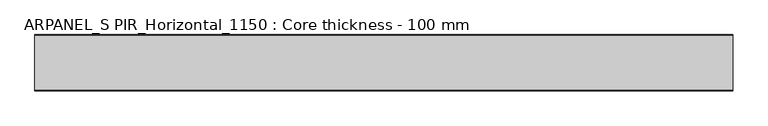
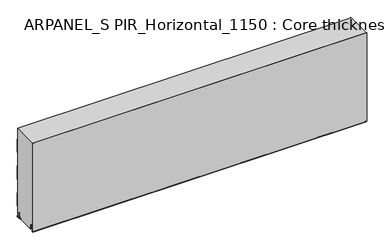
"""IFC4 building model written with IfcOpenShell, lengths in millimetres: plate geometry, ARPANEL_S PIR_Horizontal_1150 : Core thickness - 100 mm."""

from ifc_helpers import new_model, si_unit, frame, origin, place, context, project, spatial, polyline, circle_curve, source, transform, mapped, element, save
from ifc_brep_helpers import plane_surface, cylinder_surface, revolved_surface, advanced_brep


def arpanel_s_pir_horizontal_1150_core_thickness_100_mm_1902a90c(model_context):
    return source(origin(), model_context, "Body", "AdvancedBrep", [
        advanced_brep(
        [(620.0, -99.9996949, 3.0900682), (620.0, -93.81449, 2.7875612), (620.0, -92.197116, 19.2828169), (620.0, -89.1776715, 21.9898782), (620.0, -86.1582271, 19.2828169), (620.0, -84.7725998, 5.1510966), (620.0, -80.3830995, 5.365779), (620.0, -81.1830995, 5.365779), (620.0, -83.9764178, 5.2291629), (620.0, -85.3620451, 19.3608832), (620.0, -89.1776715, 22.7899182), (620.0, -92.9932979, 19.3608832), (620.0, -94.6106719, 2.8656275), (620.0, -99.1996949, 3.0900682), (620.0, -99.2, 350.0), (620.0, -99.9996949, 350.0), (-620.0, -99.1996949, 3.0900682), (-620.0, -94.6106719, 2.8656275), (-620.0, -92.9932979, 19.3608832), (-620.0, -89.1776715, 22.7899182), (-620.0, -85.3620451, 19.3608832), (-620.0, -83.9764178, 5.2291629), (-620.0, -81.1830995, 5.365779), (-620.0, -80.3830995, 5.365779), (-620.0, -84.7725998, 5.1510966), (-620.0, -86.1582271, 19.2828169), (-620.0, -89.1776715, 21.9898782), (-620.0, -92.197116, 19.2828169), (-620.0, -93.81449, 2.7875612), (-620.0, -99.9996949, 3.0900682), (-620.0, -99.9996949, 350.0), (-620.0, -99.2, 350.0)],
        [
            (0, 1, circle_curve(frame((620.0, -96.8996949, 3.0900682), z_axis=(1.0, 0.0, 0.0), x_axis=(0.0, 0.0, -1.0)), 3.1)),
            (1, 2),
            (2, 3, circle_curve(frame((620.0, -89.2114338, 18.9900682), z_axis=(-1.0, 0.0, 0.0), x_axis=(0.0, 0.0, -1.0)), 3.0)),
            (3, 4, circle_curve(frame((620.0, -89.1439093, 18.9900682), z_axis=(-1.0, 0.0, 0.0), x_axis=(0.0, 0.0, -1.0)), 3.0)),
            (4, 5),
            (5, 6, circle_curve(frame((620.0, -82.5830995, 5.365779), z_axis=(1.0, 0.0, 0.0), x_axis=(0.0, 0.0, -1.0)), 2.2)),
            (6, 7),
            (7, 8, circle_curve(frame((620.0, -82.5830995, 5.365779), z_axis=(-1.0, 0.0, 0.0), x_axis=(0.0, 0.0, -1.0)), 1.4)),
            (8, 9),
            (9, 10, circle_curve(frame((620.0, -89.1439093, 18.9900682), z_axis=(1.0, 0.0, 0.0), x_axis=(0.0, 0.0, -1.0)), 3.8)),
            (10, 11, circle_curve(frame((620.0, -89.2114338, 18.9900682), z_axis=(1.0, 0.0, 0.0), x_axis=(0.0, 0.0, -1.0)), 3.8)),
            (11, 12),
            (12, 13, circle_curve(frame((620.0, -96.8996949, 3.0900682), z_axis=(-1.0, 0.0, 0.0), x_axis=(0.0, 0.0, -1.0)), 2.3)),
            (13, 14),
            (14, 15),
            (15, 0),
            (16, 17, circle_curve(frame((-620.0, -96.8996949, 3.0900682), z_axis=(1.0, 0.0, 0.0), x_axis=(0.0, 0.0, -1.0)), 2.3)),
            (17, 18),
            (18, 19, circle_curve(frame((-620.0, -89.2114338, 18.9900682), z_axis=(-1.0, 0.0, 0.0), x_axis=(0.0, 0.0, -1.0)), 3.8)),
            (19, 20, circle_curve(frame((-620.0, -89.1439093, 18.9900682), z_axis=(-1.0, 0.0, 0.0), x_axis=(0.0, 0.0, -1.0)), 3.8)),
            (20, 21),
            (21, 22, circle_curve(frame((-620.0, -82.5830995, 5.365779), z_axis=(1.0, 0.0, 0.0), x_axis=(0.0, 0.0, -1.0)), 1.4)),
            (22, 23),
            (23, 24, circle_curve(frame((-620.0, -82.5830995, 5.365779), z_axis=(-1.0, 0.0, 0.0), x_axis=(0.0, 0.0, -1.0)), 2.2)),
            (24, 25),
            (25, 26, circle_curve(frame((-620.0, -89.1439093, 18.9900682), z_axis=(1.0, 0.0, 0.0), x_axis=(0.0, 0.0, -1.0)), 3.0)),
            (26, 27, circle_curve(frame((-620.0, -89.2114338, 18.9900682), z_axis=(1.0, 0.0, 0.0), x_axis=(0.0, 0.0, -1.0)), 3.0)),
            (27, 28),
            (28, 29, circle_curve(frame((-620.0, -96.8996949, 3.0900682), z_axis=(-1.0, 0.0, 0.0), x_axis=(0.0, 0.0, -1.0)), 3.1)),
            (29, 30),
            (30, 31),
            (31, 16),
            (13, 16),
            (31, 14),
            (29, 0),
            (15, 30),
            (12, 17),
            (11, 18),
            (10, 19),
            (9, 20),
            (8, 21),
            (7, 22),
            (6, 23),
            (5, 24),
            (4, 25),
            (3, 26),
            (2, 27),
            (1, 28),
        ],
        [
            plane_surface(frame((620.0, -100.0, 0.0), z_axis=(1.0, 0.0, 0.0), x_axis=(0.0, 1.0, 0.0))),
            plane_surface(frame((-620.0, -100.0, 0.0), z_axis=(-1.0, 0.0, 0.0), x_axis=(0.0, 1.0, 0.0))),
            plane_surface(frame((620.0, -99.2, 3.0900682), z_axis=(0.0, 1.0, 0.0), x_axis=(-1.0, 0.0, 0.0))),
            plane_surface(frame((620.0, -99.9996949, 1143.9000005), z_axis=(0.0, -1.0, 0.0), x_axis=(-1.0, 0.0, 0.0))),
            revolved_surface(polyline([(-620.0, -96.8996949, 0.7900682000000003), (620.0, -96.8996949, 0.7900682000000003)]), (620.0, -96.8996949, 3.0900682), (-1.0, 0.0, 0.0)),
            plane_surface(frame((620.0, -92.9932979, 19.3608832), z_axis=(0.0, -0.9952273999818314, 0.09758289975914787), x_axis=(-1.0, 0.0, 0.0))),
            cylinder_surface(frame((620.0, -89.2114338, 18.9900682), z_axis=(1.0, 0.0, 0.0), x_axis=(0.0, 0.0, -1.0)), 3.8),
            cylinder_surface(frame((620.0, -89.1439093, 18.9900682), z_axis=(1.0, 0.0, 0.0), x_axis=(0.0, 0.0, -1.0)), 3.8),
            plane_surface(frame((620.0, -83.9764178, 5.2291629), z_axis=(0.0, 0.9952273999818297, 0.09758289975916531), x_axis=(-1.0, 0.0, 0.0))),
            revolved_surface(polyline([(-620.0, -82.5830995, 3.965779), (620.0, -82.5830995, 3.965779)]), (620.0, -82.5830995, 5.365779), (-1.0, 0.0, 0.0)),
            plane_surface(frame((620.0, -80.3830995, 5.365779), z_axis=(0.0, 0.0, 1.0), x_axis=(-1.0, 0.0, 0.0))),
            cylinder_surface(frame((620.0, -82.5830995, 5.365779), z_axis=(1.0, 0.0, 0.0), x_axis=(0.0, 0.0, -1.0)), 2.2),
            plane_surface(frame((620.0, -86.1582271, 19.2828169), z_axis=(0.0, -0.9952273999818296, -0.09758289975916527), x_axis=(-1.0, 0.0, 0.0))),
            revolved_surface(polyline([(-620.0, -89.1439093, 15.9900682), (620.0, -89.1439093, 15.9900682)]), (620.0, -89.1439093, 18.9900682), (-1.0, 0.0, 0.0)),
            revolved_surface(polyline([(-620.0, -89.2114338, 15.9900682), (620.0, -89.2114338, 15.9900682)]), (620.0, -89.2114338, 18.9900682), (-1.0, 0.0, 0.0)),
            plane_surface(frame((620.0, -93.81449, 2.7875612), z_axis=(0.0, 0.9952273999818314, -0.09758289975914787), x_axis=(-1.0, 0.0, 0.0))),
            cylinder_surface(frame((620.0, -96.8996949, 3.0900682), z_axis=(1.0, 0.0, 0.0), x_axis=(0.0, 0.0, -1.0)), 3.1),
            plane_surface(frame((-620.0, 134.0533409, 350.0), z_axis=(0.0, 0.0, 1.0), x_axis=(1.0, 0.0, 0.0))),
        ],
        [
            (0, [[1, 2, 3, 4, 5, 6, 7, 8, 9, 10, 11, 12, 13, 14, 15, 16]]),
            (1, [[17, 18, 19, 20, 21, 22, 23, 24, 25, 26, 27, 28, 29, 30, 31, 32]]),
            (2, [[33, -32, 34, -14]]),
            (3, [[35, -16, 36, -30]]),
            (4, [[-13, 37, -17, -33]]),
            (5, [[-12, 38, -18, -37]]),
            (6, [[-11, 39, -19, -38]]),
            (7, [[-10, 40, -20, -39]]),
            (8, [[-9, 41, -21, -40]]),
            (9, [[-8, 42, -22, -41]]),
            (10, [[-7, 43, -23, -42]]),
            (11, [[-6, 44, -24, -43]]),
            (12, [[-5, 45, -25, -44]]),
            (13, [[-4, 46, -26, -45]]),
            (14, [[-3, 47, -27, -46]]),
            (15, [[-2, 48, -28, -47]]),
            (16, [[-1, -35, -29, -48]]),
            (17, [[-15, -34, -31, -36]]),
        ],
    ),
        advanced_brep(
        [(620.0, -0.8, 199.9459237), (620.0, -1.0986697, 200.9973395), (620.0, -1.5003051, 202.4177205), (620.0, -1.5003051, 252.5775037), (620.0, -1.0971009, 253.9969151), (620.0, -0.8, 255.0493005), (620.0, -0.8, 305.2090837), (620.0, -1.0986697, 306.2604995), (620.0, -1.5003051, 307.6808805), (620.0, -1.5003051, 350.0), (620.0, -99.2, 350.0), (620.0, -99.2, 3.0900682), (620.0, -94.6106719, 2.8656275), (620.0, -92.9932979, 19.3608832), (620.0, -89.1776715, 22.7899182), (620.0, -85.3620451, 19.3608832), (620.0, -83.9764178, 5.2291629), (620.0, -81.1830995, 5.365779), (620.0, -80.3830995, 5.365779), (620.0, -80.6102539, 4.3921875), (620.0, -19.3897461, 4.3921875), (620.0, -19.6169005, 5.365779), (620.0, -18.8169005, 5.365779), (620.0, -16.0235822, 5.2291629), (620.0, -14.6379549, 19.3608832), (620.0, -10.8223285, 22.7899182), (620.0, -7.0067021, 19.3608832), (620.0, -5.3893281, 2.8656275), (620.0, -0.8023367, 3.1867178), (620.0, -1.0986697, 4.141484), (620.0, -1.5003051, 5.5618649), (620.0, -1.5003051, 42.0511837), (620.0, -1.0971009, 43.4705951), (620.0, -0.8, 44.5229805), (620.0, -0.8, 94.6827637), (620.0, -1.0986697, 95.7341795), (620.0, -1.5003051, 97.1545605), (620.0, -1.5003051, 147.3143437), (620.0, -1.0971009, 148.7337551), (620.0, -0.8, 149.7861405), (-620.0, -1.0986697, 200.9973395), (-620.0, -0.8, 199.9459237), (-620.0, -0.8, 149.7861405), (-620.0, -1.0986697, 148.7347246), (-620.0, -1.5003051, 147.3143437), (-620.0, -1.5003051, 97.1545605), (-620.0, -1.0971009, 95.7351491), (-620.0, -0.8, 94.6827637), (-620.0, -0.8, 44.5229805), (-620.0, -1.0986697, 43.4715646), (-620.0, -1.5003051, 42.0511837), (-620.0, -1.5003051, 5.5618649), (-620.0, -1.0971009, 4.1424535), (-620.0, -0.8023367, 3.1867178), (-620.0, -5.3893281, 2.8656275), (-620.0, -7.0067021, 19.3608832), (-620.0, -10.8223285, 22.7899182), (-620.0, -14.6379549, 19.3608832), (-620.0, -16.0235822, 5.2291629), (-620.0, -18.4553868, 4.4268721), (-620.0, -18.8169005, 5.365779), (-620.0, -19.6169005, 5.365779), (-620.0, -19.3897461, 4.3921875), (-620.0, -80.6102539, 4.3921875), (-620.0, -80.3830995, 5.365779), (-620.0, -81.1830995, 5.365779), (-620.0, -81.5446132, 4.4268721), (-620.0, -83.9764178, 5.2291629), (-620.0, -85.3620451, 19.3608832), (-620.0, -89.1776715, 22.7899182), (-620.0, -92.9932979, 19.3608832), (-620.0, -94.6106719, 2.8656275), (-620.0, -99.1996949, 3.0900682), (-620.0, -99.2, 350.0), (-620.0, -1.5003051, 350.0), (-620.0, -1.5003051, 307.6808805), (-620.0, -1.0971009, 306.2614691), (-620.0, -0.8, 305.2090837), (-620.0, -0.8, 255.0493005), (-620.0, -1.0986697, 253.9978846), (-620.0, -1.5003051, 252.5775037), (-620.0, -1.5003051, 202.4177205)],
        [
            (0, 1, circle_curve(frame((620.0, -2.8, 199.9459237), z_axis=(1.0, 0.0, 0.0), x_axis=(0.0, 0.0, -1.0)), 2.0)),
            (1, 2, circle_curve(frame((620.0, 1.1996949, 202.4177205), z_axis=(-1.0, 0.0, 0.0), x_axis=(0.0, 0.0, -1.0)), 2.7)),
            (2, 3),
            (3, 4, circle_curve(frame((620.0, 1.1996949, 252.5775037), z_axis=(-1.0, 0.0, 0.0), x_axis=(0.0, 0.0, -1.0)), 2.7)),
            (4, 5, circle_curve(frame((620.0, -2.8, 255.0493005), z_axis=(1.0, 0.0, 0.0), x_axis=(0.0, 0.0, -1.0)), 2.0)),
            (5, 6),
            (6, 7, circle_curve(frame((620.0, -2.8, 305.2090837), z_axis=(1.0, 0.0, 0.0), x_axis=(0.0, 0.0, -1.0)), 2.0)),
            (7, 8, circle_curve(frame((620.0, 1.1996949, 307.6808805), z_axis=(-1.0, 0.0, 0.0), x_axis=(0.0, 0.0, -1.0)), 2.7)),
            (8, 9),
            (9, 10),
            (10, 11),
            (11, 12, circle_curve(frame((620.0, -96.8996949, 3.0900682), z_axis=(1.0, 0.0, 0.0), x_axis=(0.0, 0.0, -1.0)), 2.3)),
            (12, 13),
            (13, 14, circle_curve(frame((620.0, -89.2114338, 18.9900682), z_axis=(-1.0, 0.0, 0.0), x_axis=(0.0, 0.0, -1.0)), 3.8)),
            (14, 15, circle_curve(frame((620.0, -89.1439093, 18.9900682), z_axis=(-1.0, 0.0, 0.0), x_axis=(0.0, 0.0, -1.0)), 3.8)),
            (15, 16),
            (16, 17, circle_curve(frame((620.0, -82.5830995, 5.365779), z_axis=(1.0, 0.0, 0.0), x_axis=(0.0, 0.0, -1.0)), 1.4)),
            (17, 18),
            (18, 19, circle_curve(frame((620.0, -82.5830995, 5.365779), z_axis=(-1.0, 0.0, 0.0), x_axis=(0.0, 0.0, -1.0)), 2.2)),
            (19, 20),
            (20, 21, circle_curve(frame((620.0, -17.4169005, 5.365779), z_axis=(-1.0, 0.0, 0.0), x_axis=(0.0, 0.0, -1.0)), 2.2)),
            (21, 22),
            (22, 23, circle_curve(frame((620.0, -17.4169005, 5.365779), z_axis=(1.0, 0.0, 0.0), x_axis=(0.0, 0.0, -1.0)), 1.4)),
            (23, 24),
            (24, 25, circle_curve(frame((620.0, -10.8560907, 18.9900682), z_axis=(-1.0, 0.0, 0.0), x_axis=(0.0, 0.0, -1.0)), 3.8)),
            (25, 26, circle_curve(frame((620.0, -10.7885662, 18.9900682), z_axis=(-1.0, 0.0, 0.0), x_axis=(0.0, 0.0, -1.0)), 3.8)),
            (26, 27),
            (27, 28, circle_curve(frame((620.0, -3.1003051, 3.0900682), z_axis=(1.0, 0.0, 0.0), x_axis=(0.0, 0.0, -1.0)), 2.3)),
            (28, 29, circle_curve(frame((620.0, -2.8, 3.0900682), z_axis=(1.0, 0.0, 0.0), x_axis=(0.0, 0.0, -1.0)), 2.0)),
            (29, 30, circle_curve(frame((620.0, 1.1996949, 5.5618649), z_axis=(-1.0, 0.0, 0.0), x_axis=(0.0, 0.0, -1.0)), 2.7)),
            (30, 31),
            (31, 32, circle_curve(frame((620.0, 1.1996949, 42.0511837), z_axis=(-1.0, 0.0, 0.0), x_axis=(0.0, 0.0, -1.0)), 2.7)),
            (32, 33, circle_curve(frame((620.0, -2.8, 44.5229805), z_axis=(1.0, 0.0, 0.0), x_axis=(0.0, 0.0, -1.0)), 2.0)),
            (33, 34),
            (34, 35, circle_curve(frame((620.0, -2.8, 94.6827637), z_axis=(1.0, 0.0, 0.0), x_axis=(0.0, 0.0, -1.0)), 2.0)),
            (35, 36, circle_curve(frame((620.0, 1.1996949, 97.1545605), z_axis=(-1.0, 0.0, 0.0), x_axis=(0.0, 0.0, -1.0)), 2.7)),
            (36, 37),
            (37, 38, circle_curve(frame((620.0, 1.1996949, 147.3143437), z_axis=(-1.0, 0.0, 0.0), x_axis=(0.0, 0.0, -1.0)), 2.7)),
            (38, 39, circle_curve(frame((620.0, -2.8, 149.7861405), z_axis=(1.0, 0.0, 0.0), x_axis=(0.0, 0.0, -1.0)), 2.0)),
            (39, 0),
            (40, 41, circle_curve(frame((-620.0, -2.8, 199.9459237), z_axis=(-1.0, 0.0, 0.0), x_axis=(0.0, 0.0, -1.0)), 2.0)),
            (41, 42),
            (42, 43, circle_curve(frame((-620.0, -2.8, 149.7861405), z_axis=(-1.0, 0.0, 0.0), x_axis=(0.0, 0.0, -1.0)), 2.0)),
            (43, 44, circle_curve(frame((-620.0, 1.1996949, 147.3143437), z_axis=(1.0, 0.0, 0.0), x_axis=(0.0, 0.0, -1.0)), 2.7)),
            (44, 45),
            (45, 46, circle_curve(frame((-620.0, 1.1996949, 97.1545605), z_axis=(1.0, 0.0, 0.0), x_axis=(0.0, 0.0, -1.0)), 2.7)),
            (46, 47, circle_curve(frame((-620.0, -2.8, 94.6827637), z_axis=(-1.0, 0.0, 0.0), x_axis=(0.0, 0.0, -1.0)), 2.0)),
            (47, 48),
            (48, 49, circle_curve(frame((-620.0, -2.8, 44.5229805), z_axis=(-1.0, 0.0, 0.0), x_axis=(0.0, 0.0, -1.0)), 2.0)),
            (49, 50, circle_curve(frame((-620.0, 1.1996949, 42.0511837), z_axis=(1.0, 0.0, 0.0), x_axis=(0.0, 0.0, -1.0)), 2.7)),
            (50, 51),
            (51, 52, circle_curve(frame((-620.0, 1.1996949, 5.5618649), z_axis=(1.0, 0.0, 0.0), x_axis=(0.0, 0.0, -1.0)), 2.7)),
            (52, 53, circle_curve(frame((-620.0, -2.8, 3.0900682), z_axis=(-1.0, 0.0, 0.0), x_axis=(0.0, 0.0, -1.0)), 2.0)),
            (53, 54, circle_curve(frame((-620.0, -3.1003051, 3.0900682), z_axis=(-1.0, 0.0, 0.0), x_axis=(0.0, 0.0, -1.0)), 2.3)),
            (54, 55),
            (55, 56, circle_curve(frame((-620.0, -10.7885662, 18.9900682), z_axis=(1.0, 0.0, 0.0), x_axis=(0.0, 0.0, -1.0)), 3.8)),
            (56, 57, circle_curve(frame((-620.0, -10.8560907, 18.9900682), z_axis=(1.0, 0.0, 0.0), x_axis=(0.0, 0.0, -1.0)), 3.8)),
            (57, 58),
            (58, 59, circle_curve(frame((-620.0, -17.4169005, 5.365779), z_axis=(-1.0, 0.0, 0.0), x_axis=(0.0, 0.0, -1.0)), 1.4)),
            (59, 60, circle_curve(frame((-620.0, -17.4169005, 5.365779), z_axis=(-1.0, 0.0, 0.0), x_axis=(0.0, 0.0, -1.0)), 1.4)),
            (60, 61),
            (61, 62, circle_curve(frame((-620.0, -17.4169005, 5.365779), z_axis=(1.0, 0.0, 0.0), x_axis=(0.0, 0.0, -1.0)), 2.2)),
            (62, 63),
            (63, 64, circle_curve(frame((-620.0, -82.5830995, 5.365779), z_axis=(1.0, 0.0, 0.0), x_axis=(0.0, 0.0, -1.0)), 2.2)),
            (64, 65),
            (65, 66, circle_curve(frame((-620.0, -82.5830995, 5.365779), z_axis=(-1.0, 0.0, 0.0), x_axis=(0.0, 0.0, -1.0)), 1.4)),
            (66, 67, circle_curve(frame((-620.0, -82.5830995, 5.365779), z_axis=(-1.0, 0.0, 0.0), x_axis=(0.0, 0.0, -1.0)), 1.4)),
            (67, 68),
            (68, 69, circle_curve(frame((-620.0, -89.1439093, 18.9900682), z_axis=(1.0, 0.0, 0.0), x_axis=(0.0, 0.0, -1.0)), 3.8)),
            (69, 70, circle_curve(frame((-620.0, -89.2114338, 18.9900682), z_axis=(1.0, 0.0, 0.0), x_axis=(0.0, 0.0, -1.0)), 3.8)),
            (70, 71),
            (71, 72, circle_curve(frame((-620.0, -96.8996949, 3.0900682), z_axis=(-1.0, 0.0, 0.0), x_axis=(0.0, 0.0, -1.0)), 2.3)),
            (72, 73),
            (73, 74),
            (74, 75),
            (75, 76, circle_curve(frame((-620.0, 1.1996949, 307.6808805), z_axis=(1.0, 0.0, 0.0), x_axis=(0.0, 0.0, -1.0)), 2.7)),
            (76, 77, circle_curve(frame((-620.0, -2.8, 305.2090837), z_axis=(-1.0, 0.0, 0.0), x_axis=(0.0, 0.0, -1.0)), 2.0)),
            (77, 78),
            (78, 79, circle_curve(frame((-620.0, -2.8, 255.0493005), z_axis=(-1.0, 0.0, 0.0), x_axis=(0.0, 0.0, -1.0)), 2.0)),
            (79, 80, circle_curve(frame((-620.0, 1.1996949, 252.5775037), z_axis=(1.0, 0.0, 0.0), x_axis=(0.0, 0.0, -1.0)), 2.7)),
            (80, 81),
            (81, 40, circle_curve(frame((-620.0, 1.1996949, 202.4177205), z_axis=(1.0, 0.0, 0.0), x_axis=(0.0, 0.0, -1.0)), 2.7)),
            (40, 1),
            (0, 41),
            (81, 2),
            (80, 3),
            (79, 4),
            (78, 5),
            (77, 6),
            (76, 7),
            (75, 8),
            (74, 9),
            (72, 11),
            (10, 73),
            (46, 35),
            (34, 47),
            (45, 36),
            (44, 37),
            (43, 38),
            (42, 39),
            (71, 12),
            (18, 64),
            (63, 19),
            (61, 21),
            (20, 62),
            (60, 22),
            (58, 23),
            (57, 24),
            (56, 25),
            (55, 26),
            (54, 27),
            (53, 28),
            (52, 29),
            (51, 30),
            (50, 31),
            (49, 32),
            (48, 33),
            (70, 13),
            (69, 14),
            (68, 15),
            (67, 16),
            (65, 17),
        ],
        [
            plane_surface(frame((620.0, 0.0, 0.0), z_axis=(1.0, 0.0, 0.0), x_axis=(0.0, -1.0, 0.0))),
            plane_surface(frame((-620.0, 0.0, 0.0), z_axis=(-1.0, 0.0, 0.0), x_axis=(0.0, -1.0, 0.0))),
            cylinder_surface(frame((750.0, -2.8, 199.9459237), z_axis=(-1.0, 0.0, 0.0), x_axis=(0.0, 0.0, -1.0)), 2.0),
            revolved_surface(polyline([(620.0, 1.1996949, 199.7177205), (-620.0, 1.1996949, 199.7177205)]), (750.0, 1.1996949, 202.4177205), (1.0, 0.0, 0.0)),
            plane_surface(frame((750.0, -1.5003051, 252.5775037), z_axis=(0.0, 1.0, 0.0), x_axis=(-1.0, 0.0, 0.0))),
            revolved_surface(polyline([(620.0, 1.1996949, 249.8775037), (-620.0, 1.1996949, 249.8775037)]), (750.0, 1.1996949, 252.5775037), (1.0, 0.0, 0.0)),
            cylinder_surface(frame((750.0, -2.8, 255.0493005), z_axis=(-1.0, 0.0, 0.0), x_axis=(0.0, 0.0, -1.0)), 2.0),
            plane_surface(frame((750.0, -0.8, 305.2090837), z_axis=(0.0, 1.0, 0.0), x_axis=(-1.0, 0.0, 0.0))),
            cylinder_surface(frame((750.0, -2.8, 305.2090837), z_axis=(-1.0, 0.0, 0.0), x_axis=(0.0, 0.0, -1.0)), 2.0),
            revolved_surface(polyline([(620.0, 1.1996949, 304.9808805), (-620.0, 1.1996949, 304.9808805)]), (750.0, 1.1996949, 307.6808805), (1.0, 0.0, 0.0)),
            plane_surface(frame((750.0, -1.5003051, 357.8406637), z_axis=(0.0, 1.0, 0.0), x_axis=(-1.0, 0.0, 0.0))),
            plane_surface(frame((750.0, -99.2, 3.0900682), z_axis=(0.0, -1.0, 0.0), x_axis=(-1.0, 0.0, 0.0))),
            cylinder_surface(frame((750.0, -2.8, 94.6827637), z_axis=(-1.0, 0.0, 0.0), x_axis=(0.0, 0.0, -1.0)), 2.0),
            revolved_surface(polyline([(620.0, 1.1996949, 94.4545605), (-620.0, 1.1996949, 94.4545605)]), (750.0, 1.1996949, 97.1545605), (1.0, 0.0, 0.0)),
            plane_surface(frame((750.0, -1.5003051, 147.3143437), z_axis=(0.0, 1.0, 0.0), x_axis=(-1.0, 0.0, 0.0))),
            revolved_surface(polyline([(620.0, 1.1996949, 144.6143437), (-620.0, 1.1996949, 144.6143437)]), (750.0, 1.1996949, 147.3143437), (1.0, 0.0, 0.0)),
            cylinder_surface(frame((750.0, -2.8, 149.7861405), z_axis=(-1.0, 0.0, 0.0), x_axis=(0.0, 0.0, -1.0)), 2.0),
            plane_surface(frame((750.0, -0.8, 199.9459237), z_axis=(0.0, 1.0, 0.0), x_axis=(-1.0, 0.0, 0.0))),
            cylinder_surface(frame((750.0, -96.8996949, 3.0900682), z_axis=(-1.0, 0.0, 0.0), x_axis=(0.0, 0.0, -1.0)), 2.3),
            revolved_surface(polyline([(620.0, -82.5830995, 3.1657789999999997), (-620.0, -82.5830995, 3.1657789999999997)]), (750.0, -82.5830995, 5.365779), (1.0, 0.0, 0.0)),
            revolved_surface(polyline([(620.0, -17.4169005, 3.1657789999999997), (-620.0, -17.4169005, 3.1657789999999997)]), (750.0, -17.4169005, 5.365779), (1.0, 0.0, 0.0)),
            plane_surface(frame((750.0, -18.8169005, 5.365779), z_axis=(0.0, 0.0, -1.0), x_axis=(-1.0, 0.0, 0.0))),
            cylinder_surface(frame((750.0, -17.4169005, 5.365779), z_axis=(-1.0, 0.0, 0.0), x_axis=(0.0, 0.0, -1.0)), 1.4),
            plane_surface(frame((750.0, -14.6379549, 19.3608832), z_axis=(0.0, 0.9952273999818297, -0.09758289975916531), x_axis=(-1.0, 0.0, 0.0))),
            revolved_surface(polyline([(620.0, -10.8560907, 15.190068199999999), (-620.0, -10.8560907, 15.190068199999999)]), (750.0, -10.8560907, 18.9900682), (1.0, 0.0, 0.0)),
            revolved_surface(polyline([(620.0, -10.7885662, 15.190068199999999), (-620.0, -10.7885662, 15.190068199999999)]), (750.0, -10.7885662, 18.9900682), (1.0, 0.0, 0.0)),
            plane_surface(frame((750.0, -5.3893281, 2.8656275), z_axis=(0.0, -0.9952273999818314, -0.09758289975914787), x_axis=(-1.0, 0.0, 0.0))),
            cylinder_surface(frame((750.0, -3.1003051, 3.0900682), z_axis=(-1.0, 0.0, 0.0), x_axis=(0.0, 0.0, -1.0)), 2.3),
            cylinder_surface(frame((750.0, -2.8, 3.0900682), z_axis=(-1.0, 0.0, 0.0), x_axis=(0.0, 0.0, -1.0)), 2.0),
            revolved_surface(polyline([(620.0, 1.1996949, 2.8618648999999996), (-620.0, 1.1996949, 2.8618648999999996)]), (750.0, 1.1996949, 5.5618649), (1.0, 0.0, 0.0)),
            plane_surface(frame((750.0, -1.5003051, 42.0511837), z_axis=(0.0, 1.0, 0.0), x_axis=(-1.0, 0.0, 0.0))),
            revolved_surface(polyline([(620.0, 1.1996949, 39.3511837), (-620.0, 1.1996949, 39.3511837)]), (750.0, 1.1996949, 42.0511837), (1.0, 0.0, 0.0)),
            cylinder_surface(frame((750.0, -2.8, 44.5229805), z_axis=(-1.0, 0.0, 0.0), x_axis=(0.0, 0.0, -1.0)), 2.0),
            plane_surface(frame((750.0, -0.8, 94.6827637), z_axis=(0.0, 1.0, 0.0), x_axis=(-1.0, 0.0, 0.0))),
            plane_surface(frame((750.0, -92.9932979, 19.3608832), z_axis=(0.0, 0.9952273999818314, -0.09758289975914787), x_axis=(-1.0, 0.0, 0.0))),
            revolved_surface(polyline([(620.0, -89.2114338, 15.190068199999999), (-620.0, -89.2114338, 15.190068199999999)]), (750.0, -89.2114338, 18.9900682), (1.0, 0.0, 0.0)),
            revolved_surface(polyline([(620.0, -89.1439093, 15.190068199999999), (-620.0, -89.1439093, 15.190068199999999)]), (750.0, -89.1439093, 18.9900682), (1.0, 0.0, 0.0)),
            plane_surface(frame((750.0, -83.9764178, 5.2291629), z_axis=(0.0, -0.9952273999818297, -0.09758289975916531), x_axis=(-1.0, 0.0, 0.0))),
            cylinder_surface(frame((750.0, -82.5830995, 5.365779), z_axis=(-1.0, 0.0, 0.0), x_axis=(0.0, 0.0, -1.0)), 1.4),
            plane_surface(frame((750.0, -80.3830995, 5.365779), z_axis=(0.0, 0.0, -1.0), x_axis=(-1.0, 0.0, 0.0))),
            plane_surface(frame((620.0, -81.50625, 4.3921875), z_axis=(0.0, 0.0, -1.0), x_axis=(-1.0, 0.0, 0.0))),
            plane_surface(frame((-620.0, 134.0533409, 350.0), z_axis=(0.0, 0.0, 1.0), x_axis=(1.0, 0.0, 0.0))),
        ],
        [
            (0, [[1, 2, 3, 4, 5, 6, 7, 8, 9, 10, 11, 12, 13, 14, 15, 16, 17, 18, 19, 20, 21, 22, 23, 24, 25, 26, 27, 28, 29, 30, 31, 32, 33, 34, 35, 36, 37, 38, 39, 40]]),
            (1, [[41, 42, 43, 44, 45, 46, 47, 48, 49, 50, 51, 52, 53, 54, 55, 56, 57, 58, 59, 60, 61, 62, 63, 64, 65, 66, 67, 68, 69, 70, 71, 72, 73, 74, 75, 76, 77, 78, 79, 80, 81, 82]]),
            (2, [[83, -1, 84, -41]]),
            (3, [[-83, -82, 85, -2]]),
            (4, [[-85, -81, 86, -3]]),
            (5, [[-86, -80, 87, -4]]),
            (6, [[-87, -79, 88, -5]]),
            (7, [[-88, -78, 89, -6]]),
            (8, [[-89, -77, 90, -7]]),
            (9, [[-90, -76, 91, -8]]),
            (10, [[-91, -75, 92, -9]]),
            (11, [[93, -11, 94, -73]]),
            (12, [[95, -35, 96, -47]]),
            (13, [[-95, -46, 97, -36]]),
            (14, [[-97, -45, 98, -37]]),
            (15, [[-98, -44, 99, -38]]),
            (16, [[-99, -43, 100, -39]]),
            (17, [[-100, -42, -84, -40]]),
            (18, [[-93, -72, 101, -12]]),
            (19, [[102, -64, 103, -19]]),
            (20, [[104, -21, 105, -62]]),
            (21, [[-104, -61, 106, -22]]),
            (22, [[-106, -60, -59, 107, -23]]),
            (23, [[-107, -58, 108, -24]]),
            (24, [[-108, -57, 109, -25]]),
            (25, [[-109, -56, 110, -26]]),
            (26, [[-110, -55, 111, -27]]),
            (27, [[-111, -54, 112, -28]]),
            (28, [[-112, -53, 113, -29]]),
            (29, [[-113, -52, 114, -30]]),
            (30, [[-114, -51, 115, -31]]),
            (31, [[-115, -50, 116, -32]]),
            (32, [[-116, -49, 117, -33]]),
            (33, [[-117, -48, -96, -34]]),
            (34, [[-101, -71, 118, -13]]),
            (35, [[-118, -70, 119, -14]]),
            (36, [[-119, -69, 120, -15]]),
            (37, [[-120, -68, 121, -16]]),
            (38, [[-121, -67, -66, 122, -17]]),
            (39, [[-122, -65, -102, -18]]),
            (40, [[-105, -20, -103, -63]]),
            (41, [[-92, -74, -94, -10]]),
        ],
    ),
        advanced_brep(
        [(-620.0, -0.7003051, 307.6808805), (-620.0, -0.4016712, 306.6295226), (-620.0, -0.0003051, 305.2090837), (-620.0, -0.0003051, 255.0493005), (-620.0, -0.4034608, 253.6299674), (-620.0, -0.7003051, 252.5775037), (-620.0, -0.7003051, 202.4177205), (-620.0, -0.4016712, 201.3663626), (-620.0, -0.0003051, 199.9459237), (-620.0, -0.0003051, 149.7861405), (-620.0, -0.4034608, 148.3668074), (-620.0, -0.7003051, 147.3143437), (-620.0, -0.7003051, 97.1545605), (-620.0, -0.4016712, 96.1032026), (-620.0, -0.0003051, 94.6827637), (-620.0, -0.0003051, 44.5229805), (-620.0, -0.4034608, 43.1036474), (-620.0, -0.7003051, 42.0511837), (-620.0, -0.7003051, 5.5618649), (-620.0, -0.4016712, 4.5105071), (-620.0, -0.0003051, 3.0900682), (-620.0, -6.18551, 2.7875612), (-620.0, -7.802884, 19.2828169), (-620.0, -10.8223285, 21.9898782), (-620.0, -13.8417729, 19.2828169), (-620.0, -15.2274002, 5.1510966), (-620.0, -19.6169005, 5.365779), (-620.0, -18.8169005, 5.365779), (-620.0, -16.0235822, 5.2291629), (-620.0, -14.6379549, 19.3608832), (-620.0, -10.8223285, 22.7899182), (-620.0, -7.0067021, 19.3608832), (-620.0, -5.3893281, 2.8656275), (-620.0, -0.8023367, 3.1867178), (-620.0, -1.0986697, 4.141484), (-620.0, -1.5003051, 5.5618649), (-620.0, -1.5003051, 42.0511837), (-620.0, -1.0971009, 43.4705951), (-620.0, -0.8, 44.5229805), (-620.0, -0.8, 94.6827637), (-620.0, -1.0986697, 95.7341795), (-620.0, -1.5003051, 97.1545605), (-620.0, -1.5003051, 147.3143437), (-620.0, -1.0971009, 148.7337551), (-620.0, -0.8, 149.7861405), (-620.0, -0.8, 199.9459237), (-620.0, -1.0986697, 200.9973395), (-620.0, -1.5003051, 202.4177205), (-620.0, -1.5003051, 252.5775037), (-620.0, -1.0971009, 253.9969151), (-620.0, -0.8, 255.0493005), (-620.0, -0.8, 305.2090837), (-620.0, -1.0986697, 306.2604995), (-620.0, -1.5003051, 307.6808805), (-620.0, -1.5003051, 350.0), (-620.0, -0.7003051, 350.0), (620.0, -1.5003051, 307.6808805), (620.0, -1.0971009, 306.2614691), (620.0, -0.8, 305.2090837), (620.0, -0.8, 255.0493005), (620.0, -1.0986697, 253.9978846), (620.0, -1.5003051, 252.5775037), (620.0, -1.5003051, 202.4177205), (620.0, -1.0971009, 200.9983091), (620.0, -0.8, 199.9459237), (620.0, -0.8, 149.7861405), (620.0, -1.0986697, 148.7347246), (620.0, -1.5003051, 147.3143437), (620.0, -1.5003051, 97.1545605), (620.0, -1.0971009, 95.7351491), (620.0, -0.8, 94.6827637), (620.0, -0.8, 44.5229805), (620.0, -1.0986697, 43.4715646), (620.0, -1.5003051, 42.0511837), (620.0, -1.5003051, 5.5618649), (620.0, -1.0971009, 4.1424535), (620.0, -0.8023367, 3.1867178), (620.0, -5.3893281, 2.8656275), (620.0, -7.0067021, 19.3608832), (620.0, -10.8223285, 22.7899182), (620.0, -14.6379549, 19.3608832), (620.0, -16.0235822, 5.2291629), (620.0, -18.8169005, 5.365779), (620.0, -19.6169005, 5.365779), (620.0, -15.2274002, 5.1510966), (620.0, -13.8417729, 19.2828169), (620.0, -10.8223285, 21.9898782), (620.0, -7.802884, 19.2828169), (620.0, -6.18551, 2.7875612), (620.0, -0.0003051, 3.0900682), (620.0, -0.4034608, 4.5094012), (620.0, -0.7003051, 5.5618649), (620.0, -0.7003051, 42.0511837), (620.0, -0.4016712, 43.1025415), (620.0, -0.0003051, 44.5229805), (620.0, -0.0003051, 94.6827637), (620.0, -0.4034608, 96.1020968), (620.0, -0.7003051, 97.1545605), (620.0, -0.7003051, 147.3143437), (620.0, -0.4016712, 148.3657015), (620.0, -0.0003051, 149.7861405), (620.0, -0.0003051, 199.9459237), (620.0, -0.4034608, 201.3652568), (620.0, -0.7003051, 202.4177205), (620.0, -0.7003051, 252.5775037), (620.0, -0.4016712, 253.6288615), (620.0, -0.0003051, 255.0493005), (620.0, -0.0003051, 305.2090837), (620.0, -0.4034608, 306.6284168), (620.0, -0.7003051, 307.6808805), (620.0, -0.7003051, 350.0), (620.0, -1.5003051, 350.0)],
        [
            (0, 1, circle_curve(frame((-620.0, 1.2996949, 307.6808805), z_axis=(1.0, 0.0, 0.0), x_axis=(0.0, 0.0, -1.0)), 2.0)),
            (1, 2, circle_curve(frame((-620.0, -2.7003051, 305.2090837), z_axis=(-1.0, 0.0, 0.0), x_axis=(0.0, 0.0, -1.0)), 2.7)),
            (2, 3),
            (3, 4, circle_curve(frame((-620.0, -2.7003051, 255.0493005), z_axis=(-1.0, 0.0, 0.0), x_axis=(0.0, 0.0, -1.0)), 2.7)),
            (4, 5, circle_curve(frame((-620.0, 1.2996949, 252.5775037), z_axis=(1.0, 0.0, 0.0), x_axis=(0.0, 0.0, -1.0)), 2.0)),
            (5, 6),
            (6, 7, circle_curve(frame((-620.0, 1.2996949, 202.4177205), z_axis=(1.0, 0.0, 0.0), x_axis=(0.0, 0.0, -1.0)), 2.0)),
            (7, 8, circle_curve(frame((-620.0, -2.7003051, 199.9459237), z_axis=(-1.0, 0.0, 0.0), x_axis=(0.0, 0.0, -1.0)), 2.7)),
            (8, 9),
            (9, 10, circle_curve(frame((-620.0, -2.7003051, 149.7861405), z_axis=(-1.0, 0.0, 0.0), x_axis=(0.0, 0.0, -1.0)), 2.7)),
            (10, 11, circle_curve(frame((-620.0, 1.2996949, 147.3143437), z_axis=(1.0, 0.0, 0.0), x_axis=(0.0, 0.0, -1.0)), 2.0)),
            (11, 12),
            (12, 13, circle_curve(frame((-620.0, 1.2996949, 97.1545605), z_axis=(1.0, 0.0, 0.0), x_axis=(0.0, 0.0, -1.0)), 2.0)),
            (13, 14, circle_curve(frame((-620.0, -2.7003051, 94.6827637), z_axis=(-1.0, 0.0, 0.0), x_axis=(0.0, 0.0, -1.0)), 2.7)),
            (14, 15),
            (15, 16, circle_curve(frame((-620.0, -2.7003051, 44.5229805), z_axis=(-1.0, 0.0, 0.0), x_axis=(0.0, 0.0, -1.0)), 2.7)),
            (16, 17, circle_curve(frame((-620.0, 1.2996949, 42.0511837), z_axis=(1.0, 0.0, 0.0), x_axis=(0.0, 0.0, -1.0)), 2.0)),
            (17, 18),
            (18, 19, circle_curve(frame((-620.0, 1.2996949, 5.5618649), z_axis=(1.0, 0.0, 0.0), x_axis=(0.0, 0.0, -1.0)), 2.0)),
            (19, 20, circle_curve(frame((-620.0, -2.7003051, 3.0900682), z_axis=(-1.0, 0.0, 0.0), x_axis=(0.0, 0.0, -1.0)), 2.7)),
            (20, 21, circle_curve(frame((-620.0, -3.1003051, 3.0900682), z_axis=(-1.0, 0.0, 0.0), x_axis=(0.0, 0.0, -1.0)), 3.1)),
            (21, 22),
            (22, 23, circle_curve(frame((-620.0, -10.7885662, 18.9900682), z_axis=(1.0, 0.0, 0.0), x_axis=(0.0, 0.0, -1.0)), 3.0)),
            (23, 24, circle_curve(frame((-620.0, -10.8560907, 18.9900682), z_axis=(1.0, 0.0, 0.0), x_axis=(0.0, 0.0, -1.0)), 3.0)),
            (24, 25),
            (25, 26, circle_curve(frame((-620.0, -17.4169005, 5.365779), z_axis=(-1.0, 0.0, 0.0), x_axis=(0.0, 0.0, -1.0)), 2.2)),
            (26, 27),
            (27, 28, circle_curve(frame((-620.0, -17.4169005, 5.365779), z_axis=(1.0, 0.0, 0.0), x_axis=(0.0, 0.0, -1.0)), 1.4)),
            (28, 29),
            (29, 30, circle_curve(frame((-620.0, -10.8560907, 18.9900682), z_axis=(-1.0, 0.0, 0.0), x_axis=(0.0, 0.0, -1.0)), 3.8)),
            (30, 31, circle_curve(frame((-620.0, -10.7885662, 18.9900682), z_axis=(-1.0, 0.0, 0.0), x_axis=(0.0, 0.0, -1.0)), 3.8)),
            (31, 32),
            (32, 33, circle_curve(frame((-620.0, -3.1003051, 3.0900682), z_axis=(1.0, 0.0, 0.0), x_axis=(0.0, 0.0, -1.0)), 2.3)),
            (33, 34, circle_curve(frame((-620.0, -2.8, 3.0900682), z_axis=(1.0, 0.0, 0.0), x_axis=(0.0, 0.0, -1.0)), 2.0)),
            (34, 35, circle_curve(frame((-620.0, 1.1996949, 5.5618649), z_axis=(-1.0, 0.0, 0.0), x_axis=(0.0, 0.0, -1.0)), 2.7)),
            (35, 36),
            (36, 37, circle_curve(frame((-620.0, 1.1996949, 42.0511837), z_axis=(-1.0, 0.0, 0.0), x_axis=(0.0, 0.0, -1.0)), 2.7)),
            (37, 38, circle_curve(frame((-620.0, -2.8, 44.5229805), z_axis=(1.0, 0.0, 0.0), x_axis=(0.0, 0.0, -1.0)), 2.0)),
            (38, 39),
            (39, 40, circle_curve(frame((-620.0, -2.8, 94.6827637), z_axis=(1.0, 0.0, 0.0), x_axis=(0.0, 0.0, -1.0)), 2.0)),
            (40, 41, circle_curve(frame((-620.0, 1.1996949, 97.1545605), z_axis=(-1.0, 0.0, 0.0), x_axis=(0.0, 0.0, -1.0)), 2.7)),
            (41, 42),
            (42, 43, circle_curve(frame((-620.0, 1.1996949, 147.3143437), z_axis=(-1.0, 0.0, 0.0), x_axis=(0.0, 0.0, -1.0)), 2.7)),
            (43, 44, circle_curve(frame((-620.0, -2.8, 149.7861405), z_axis=(1.0, 0.0, 0.0), x_axis=(0.0, 0.0, -1.0)), 2.0)),
            (44, 45),
            (45, 46, circle_curve(frame((-620.0, -2.8, 199.9459237), z_axis=(1.0, 0.0, 0.0), x_axis=(0.0, 0.0, -1.0)), 2.0)),
            (46, 47, circle_curve(frame((-620.0, 1.1996949, 202.4177205), z_axis=(-1.0, 0.0, 0.0), x_axis=(0.0, 0.0, -1.0)), 2.7)),
            (47, 48),
            (48, 49, circle_curve(frame((-620.0, 1.1996949, 252.5775037), z_axis=(-1.0, 0.0, 0.0), x_axis=(0.0, 0.0, -1.0)), 2.7)),
            (49, 50, circle_curve(frame((-620.0, -2.8, 255.0493005), z_axis=(1.0, 0.0, 0.0), x_axis=(0.0, 0.0, -1.0)), 2.0)),
            (50, 51),
            (51, 52, circle_curve(frame((-620.0, -2.8, 305.2090837), z_axis=(1.0, 0.0, 0.0), x_axis=(0.0, 0.0, -1.0)), 2.0)),
            (52, 53, circle_curve(frame((-620.0, 1.1996949, 307.6808805), z_axis=(-1.0, 0.0, 0.0), x_axis=(0.0, 0.0, -1.0)), 2.7)),
            (53, 54),
            (54, 55),
            (55, 0),
            (56, 57, circle_curve(frame((620.0, 1.1996949, 307.6808805), z_axis=(1.0, 0.0, 0.0), x_axis=(0.0, 0.0, -1.0)), 2.7)),
            (57, 58, circle_curve(frame((620.0, -2.8, 305.2090837), z_axis=(-1.0, 0.0, 0.0), x_axis=(0.0, 0.0, -1.0)), 2.0)),
            (58, 59),
            (59, 60, circle_curve(frame((620.0, -2.8, 255.0493005), z_axis=(-1.0, 0.0, 0.0), x_axis=(0.0, 0.0, -1.0)), 2.0)),
            (60, 61, circle_curve(frame((620.0, 1.1996949, 252.5775037), z_axis=(1.0, 0.0, 0.0), x_axis=(0.0, 0.0, -1.0)), 2.7)),
            (61, 62),
            (62, 63, circle_curve(frame((620.0, 1.1996949, 202.4177205), z_axis=(1.0, 0.0, 0.0), x_axis=(0.0, 0.0, -1.0)), 2.7)),
            (63, 64, circle_curve(frame((620.0, -2.8, 199.9459237), z_axis=(-1.0, 0.0, 0.0), x_axis=(0.0, 0.0, -1.0)), 2.0)),
            (64, 65),
            (65, 66, circle_curve(frame((620.0, -2.8, 149.7861405), z_axis=(-1.0, 0.0, 0.0), x_axis=(0.0, 0.0, -1.0)), 2.0)),
            (66, 67, circle_curve(frame((620.0, 1.1996949, 147.3143437), z_axis=(1.0, 0.0, 0.0), x_axis=(0.0, 0.0, -1.0)), 2.7)),
            (67, 68),
            (68, 69, circle_curve(frame((620.0, 1.1996949, 97.1545605), z_axis=(1.0, 0.0, 0.0), x_axis=(0.0, 0.0, -1.0)), 2.7)),
            (69, 70, circle_curve(frame((620.0, -2.8, 94.6827637), z_axis=(-1.0, 0.0, 0.0), x_axis=(0.0, 0.0, -1.0)), 2.0)),
            (70, 71),
            (71, 72, circle_curve(frame((620.0, -2.8, 44.5229805), z_axis=(-1.0, 0.0, 0.0), x_axis=(0.0, 0.0, -1.0)), 2.0)),
            (72, 73, circle_curve(frame((620.0, 1.1996949, 42.0511837), z_axis=(1.0, 0.0, 0.0), x_axis=(0.0, 0.0, -1.0)), 2.7)),
            (73, 74),
            (74, 75, circle_curve(frame((620.0, 1.1996949, 5.5618649), z_axis=(1.0, 0.0, 0.0), x_axis=(0.0, 0.0, -1.0)), 2.7)),
            (75, 76, circle_curve(frame((620.0, -2.8, 3.0900682), z_axis=(-1.0, 0.0, 0.0), x_axis=(0.0, 0.0, -1.0)), 2.0)),
            (76, 77, circle_curve(frame((620.0, -3.1003051, 3.0900682), z_axis=(-1.0, 0.0, 0.0), x_axis=(0.0, 0.0, -1.0)), 2.3)),
            (77, 78),
            (78, 79, circle_curve(frame((620.0, -10.7885662, 18.9900682), z_axis=(1.0, 0.0, 0.0), x_axis=(0.0, 0.0, -1.0)), 3.8)),
            (79, 80, circle_curve(frame((620.0, -10.8560907, 18.9900682), z_axis=(1.0, 0.0, 0.0), x_axis=(0.0, 0.0, -1.0)), 3.8)),
            (80, 81),
            (81, 82, circle_curve(frame((620.0, -17.4169005, 5.365779), z_axis=(-1.0, 0.0, 0.0), x_axis=(0.0, 0.0, -1.0)), 1.4)),
            (82, 83),
            (83, 84, circle_curve(frame((620.0, -17.4169005, 5.365779), z_axis=(1.0, 0.0, 0.0), x_axis=(0.0, 0.0, -1.0)), 2.2)),
            (84, 85),
            (85, 86, circle_curve(frame((620.0, -10.8560907, 18.9900682), z_axis=(-1.0, 0.0, 0.0), x_axis=(0.0, 0.0, -1.0)), 3.0)),
            (86, 87, circle_curve(frame((620.0, -10.7885662, 18.9900682), z_axis=(-1.0, 0.0, 0.0), x_axis=(0.0, 0.0, -1.0)), 3.0)),
            (87, 88),
            (88, 89, circle_curve(frame((620.0, -3.1003051, 3.0900682), z_axis=(1.0, 0.0, 0.0), x_axis=(0.0, 0.0, -1.0)), 3.1)),
            (89, 90, circle_curve(frame((620.0, -2.7003051, 3.0900682), z_axis=(1.0, 0.0, 0.0), x_axis=(0.0, 0.0, -1.0)), 2.7)),
            (90, 91, circle_curve(frame((620.0, 1.2996949, 5.5618649), z_axis=(-1.0, 0.0, 0.0), x_axis=(0.0, 0.0, -1.0)), 2.0)),
            (91, 92),
            (92, 93, circle_curve(frame((620.0, 1.2996949, 42.0511837), z_axis=(-1.0, 0.0, 0.0), x_axis=(0.0, 0.0, -1.0)), 2.0)),
            (93, 94, circle_curve(frame((620.0, -2.7003051, 44.5229805), z_axis=(1.0, 0.0, 0.0), x_axis=(0.0, 0.0, -1.0)), 2.7)),
            (94, 95),
            (95, 96, circle_curve(frame((620.0, -2.7003051, 94.6827637), z_axis=(1.0, 0.0, 0.0), x_axis=(0.0, 0.0, -1.0)), 2.7)),
            (96, 97, circle_curve(frame((620.0, 1.2996949, 97.1545605), z_axis=(-1.0, 0.0, 0.0), x_axis=(0.0, 0.0, -1.0)), 2.0)),
            (97, 98),
            (98, 99, circle_curve(frame((620.0, 1.2996949, 147.3143437), z_axis=(-1.0, 0.0, 0.0), x_axis=(0.0, 0.0, -1.0)), 2.0)),
            (99, 100, circle_curve(frame((620.0, -2.7003051, 149.7861405), z_axis=(1.0, 0.0, 0.0), x_axis=(0.0, 0.0, -1.0)), 2.7)),
            (100, 101),
            (101, 102, circle_curve(frame((620.0, -2.7003051, 199.9459237), z_axis=(1.0, 0.0, 0.0), x_axis=(0.0, 0.0, -1.0)), 2.7)),
            (102, 103, circle_curve(frame((620.0, 1.2996949, 202.4177205), z_axis=(-1.0, 0.0, 0.0), x_axis=(0.0, 0.0, -1.0)), 2.0)),
            (103, 104),
            (104, 105, circle_curve(frame((620.0, 1.2996949, 252.5775037), z_axis=(-1.0, 0.0, 0.0), x_axis=(0.0, 0.0, -1.0)), 2.0)),
            (105, 106, circle_curve(frame((620.0, -2.7003051, 255.0493005), z_axis=(1.0, 0.0, 0.0), x_axis=(0.0, 0.0, -1.0)), 2.7)),
            (106, 107),
            (107, 108, circle_curve(frame((620.0, -2.7003051, 305.2090837), z_axis=(1.0, 0.0, 0.0), x_axis=(0.0, 0.0, -1.0)), 2.7)),
            (108, 109, circle_curve(frame((620.0, 1.2996949, 307.6808805), z_axis=(-1.0, 0.0, 0.0), x_axis=(0.0, 0.0, -1.0)), 2.0)),
            (109, 110),
            (110, 111),
            (111, 56),
            (53, 56),
            (111, 54),
            (52, 57),
            (51, 58),
            (50, 59),
            (49, 60),
            (48, 61),
            (47, 62),
            (46, 63),
            (45, 64),
            (32, 77),
            (76, 33),
            (31, 78),
            (30, 79),
            (29, 80),
            (28, 81),
            (27, 82),
            (26, 83),
            (25, 84),
            (24, 85),
            (23, 86),
            (22, 87),
            (21, 88),
            (20, 89),
            (7, 102),
            (101, 8),
            (6, 103),
            (5, 104),
            (4, 105),
            (3, 106),
            (2, 107),
            (1, 108),
            (0, 109),
            (55, 110),
            (44, 65),
            (43, 66),
            (42, 67),
            (41, 68),
            (40, 69),
            (39, 70),
            (13, 96),
            (95, 14),
            (12, 97),
            (11, 98),
            (10, 99),
            (9, 100),
            (38, 71),
            (37, 72),
            (36, 73),
            (35, 74),
            (34, 75),
            (19, 90),
            (18, 91),
            (17, 92),
            (16, 93),
            (15, 94),
        ],
        [
            plane_surface(frame((-620.0, 0.0, 0.0), z_axis=(-1.0, 0.0, 0.0), x_axis=(0.0, -1.0, 0.0))),
            plane_surface(frame((620.0, 0.0, 0.0), z_axis=(1.0, 0.0, 0.0), x_axis=(0.0, -1.0, 0.0))),
            plane_surface(frame((-620.0, -1.5003051, 307.6808805), z_axis=(0.0, -1.0, 0.0), x_axis=(1.0, 0.0, 0.0))),
            cylinder_surface(frame((-620.0, 1.1996949, 307.6808805), z_axis=(-1.0, 0.0, 0.0), x_axis=(0.0, 0.0, -1.0)), 2.7),
            revolved_surface(polyline([(620.0, -2.8, 303.2090837), (-620.0, -2.8, 303.2090837)]), (-620.0, -2.8, 305.2090837), (1.0, 0.0, 0.0)),
            plane_surface(frame((-620.0, -0.8, 255.0493005), z_axis=(0.0, -1.0, 0.0), x_axis=(1.0, 0.0, 0.0))),
            revolved_surface(polyline([(620.0, -2.8, 253.0493005), (-620.0, -2.8, 253.0493005)]), (-620.0, -2.8, 255.0493005), (1.0, 0.0, 0.0)),
            cylinder_surface(frame((-620.0, 1.1996949, 252.5775037), z_axis=(-1.0, 0.0, 0.0), x_axis=(0.0, 0.0, -1.0)), 2.7),
            plane_surface(frame((-620.0, -1.5003051, 202.4177205), z_axis=(0.0, -1.0, 0.0), x_axis=(1.0, 0.0, 0.0))),
            cylinder_surface(frame((-620.0, 1.1996949, 202.4177205), z_axis=(-1.0, 0.0, 0.0), x_axis=(0.0, 0.0, -1.0)), 2.7),
            revolved_surface(polyline([(620.0, -2.8, 197.9459237), (-620.0, -2.8, 197.9459237)]), (-620.0, -2.8, 199.9459237), (1.0, 0.0, 0.0)),
            revolved_surface(polyline([(620.0, -3.1003051, 0.7900682000000003), (-620.0, -3.1003051, 0.7900682000000003)]), (-620.0, -3.1003051, 3.0900682), (1.0, 0.0, 0.0)),
            plane_surface(frame((-620.0, -7.0067021, 19.3608832), z_axis=(0.0, 0.9952273999818314, 0.09758289975914787), x_axis=(1.0, 0.0, 0.0))),
            cylinder_surface(frame((-620.0, -10.7885662, 18.9900682), z_axis=(-1.0, 0.0, 0.0), x_axis=(0.0, 0.0, -1.0)), 3.8),
            cylinder_surface(frame((-620.0, -10.8560907, 18.9900682), z_axis=(-1.0, 0.0, 0.0), x_axis=(0.0, 0.0, -1.0)), 3.8),
            plane_surface(frame((-620.0, -16.0235822, 5.2291629), z_axis=(0.0, -0.9952273999818297, 0.09758289975916531), x_axis=(1.0, 0.0, 0.0))),
            revolved_surface(polyline([(620.0, -17.4169005, 3.965779), (-620.0, -17.4169005, 3.965779)]), (-620.0, -17.4169005, 5.365779), (1.0, 0.0, 0.0)),
            plane_surface(frame((-620.0, -19.6169005, 5.365779), z_axis=(0.0, 0.0, 1.0), x_axis=(1.0, 0.0, 0.0))),
            cylinder_surface(frame((-620.0, -17.4169005, 5.365779), z_axis=(-1.0, 0.0, 0.0), x_axis=(0.0, 0.0, -1.0)), 2.2),
            plane_surface(frame((-620.0, -13.8417729, 19.2828169), z_axis=(0.0, 0.9952273999818296, -0.09758289975916527), x_axis=(1.0, 0.0, 0.0))),
            revolved_surface(polyline([(620.0, -10.8560907, 15.9900682), (-620.0, -10.8560907, 15.9900682)]), (-620.0, -10.8560907, 18.9900682), (1.0, 0.0, 0.0)),
            revolved_surface(polyline([(620.0, -10.7885662, 15.9900682), (-620.0, -10.7885662, 15.9900682)]), (-620.0, -10.7885662, 18.9900682), (1.0, 0.0, 0.0)),
            plane_surface(frame((-620.0, -6.18551, 2.7875612), z_axis=(0.0, -0.9952273999818314, -0.09758289975914787), x_axis=(1.0, 0.0, 0.0))),
            cylinder_surface(frame((-620.0, -3.1003051, 3.0900682), z_axis=(-1.0, 0.0, 0.0), x_axis=(0.0, 0.0, -1.0)), 3.1),
            cylinder_surface(frame((-620.0, -2.7003051, 199.9459237), z_axis=(-1.0, 0.0, 0.0), x_axis=(0.0, 0.0, -1.0)), 2.7),
            revolved_surface(polyline([(620.0, 1.2996949, 200.4177205), (-620.0, 1.2996949, 200.4177205)]), (-620.0, 1.2996949, 202.4177205), (1.0, 0.0, 0.0)),
            plane_surface(frame((-620.0, -0.7003051, 252.5775037), z_axis=(0.0, 1.0, 0.0), x_axis=(1.0, 0.0, 0.0))),
            revolved_surface(polyline([(620.0, 1.2996949, 250.5775037), (-620.0, 1.2996949, 250.5775037)]), (-620.0, 1.2996949, 252.5775037), (1.0, 0.0, 0.0)),
            cylinder_surface(frame((-620.0, -2.7003051, 255.0493005), z_axis=(-1.0, 0.0, 0.0), x_axis=(0.0, 0.0, -1.0)), 2.7),
            plane_surface(frame((-620.0, -0.0003051, 305.2090837), z_axis=(0.0, 1.0, 0.0), x_axis=(1.0, 0.0, 0.0))),
            cylinder_surface(frame((-620.0, -2.7003051, 305.2090837), z_axis=(-1.0, 0.0, 0.0), x_axis=(0.0, 0.0, -1.0)), 2.7),
            revolved_surface(polyline([(620.0, 1.2996949, 305.6808805), (-620.0, 1.2996949, 305.6808805)]), (-620.0, 1.2996949, 307.6808805), (1.0, 0.0, 0.0)),
            plane_surface(frame((-620.0, -0.7003051, 357.8406637), z_axis=(0.0, 1.0, 0.0), x_axis=(1.0, 0.0, 0.0))),
            plane_surface(frame((-620.0, -0.8, 149.7861405), z_axis=(0.0, -1.0, 0.0), x_axis=(1.0, 0.0, 0.0))),
            revolved_surface(polyline([(620.0, -2.8, 147.7861405), (-620.0, -2.8, 147.7861405)]), (-620.0, -2.8, 149.7861405), (1.0, 0.0, 0.0)),
            cylinder_surface(frame((-620.0, 1.1996949, 147.3143437), z_axis=(-1.0, 0.0, 0.0), x_axis=(0.0, 0.0, -1.0)), 2.7),
            plane_surface(frame((-620.0, -1.5003051, 97.1545605), z_axis=(0.0, -1.0, 0.0), x_axis=(1.0, 0.0, 0.0))),
            cylinder_surface(frame((-620.0, 1.1996949, 97.1545605), z_axis=(-1.0, 0.0, 0.0), x_axis=(0.0, 0.0, -1.0)), 2.7),
            revolved_surface(polyline([(620.0, -2.8, 92.6827637), (-620.0, -2.8, 92.6827637)]), (-620.0, -2.8, 94.6827637), (1.0, 0.0, 0.0)),
            cylinder_surface(frame((-620.0, -2.7003051, 94.6827637), z_axis=(-1.0, 0.0, 0.0), x_axis=(0.0, 0.0, -1.0)), 2.7),
            revolved_surface(polyline([(620.0, 1.2996949, 95.1545605), (-620.0, 1.2996949, 95.1545605)]), (-620.0, 1.2996949, 97.1545605), (1.0, 0.0, 0.0)),
            plane_surface(frame((-620.0, -0.7003051, 147.3143437), z_axis=(0.0, 1.0, 0.0), x_axis=(1.0, 0.0, 0.0))),
            revolved_surface(polyline([(620.0, 1.2996949, 145.3143437), (-620.0, 1.2996949, 145.3143437)]), (-620.0, 1.2996949, 147.3143437), (1.0, 0.0, 0.0)),
            cylinder_surface(frame((-620.0, -2.7003051, 149.7861405), z_axis=(-1.0, 0.0, 0.0), x_axis=(0.0, 0.0, -1.0)), 2.7),
            plane_surface(frame((-620.0, -0.0003051, 199.9459237), z_axis=(0.0, 1.0, 0.0), x_axis=(1.0, 0.0, 0.0))),
            plane_surface(frame((-620.0, -0.8, 44.5229805), z_axis=(0.0, -1.0, 0.0), x_axis=(1.0, 0.0, 0.0))),
            revolved_surface(polyline([(620.0, -2.8, 42.5229805), (-620.0, -2.8, 42.5229805)]), (-620.0, -2.8, 44.5229805), (1.0, 0.0, 0.0)),
            cylinder_surface(frame((-620.0, 1.1996949, 42.0511837), z_axis=(-1.0, 0.0, 0.0), x_axis=(0.0, 0.0, -1.0)), 2.7),
            plane_surface(frame((-620.0, -1.5003051, 5.5618649), z_axis=(0.0, -1.0, 0.0), x_axis=(1.0, 0.0, 0.0))),
            cylinder_surface(frame((-620.0, 1.1996949, 5.5618649), z_axis=(-1.0, 0.0, 0.0), x_axis=(0.0, 0.0, -1.0)), 2.7),
            revolved_surface(polyline([(620.0, -2.8, 1.0900682000000002), (-620.0, -2.8, 1.0900682000000002)]), (-620.0, -2.8, 3.0900682), (1.0, 0.0, 0.0)),
            cylinder_surface(frame((-620.0, -2.7003051, 3.0900682), z_axis=(-1.0, 0.0, 0.0), x_axis=(0.0, 0.0, -1.0)), 2.7),
            revolved_surface(polyline([(620.0, 1.2996949, 3.5618649), (-620.0, 1.2996949, 3.5618649)]), (-620.0, 1.2996949, 5.5618649), (1.0, 0.0, 0.0)),
            plane_surface(frame((-620.0, -0.7003051, 42.0511837), z_axis=(0.0, 1.0, 0.0), x_axis=(1.0, 0.0, 0.0))),
            revolved_surface(polyline([(620.0, 1.2996949, 40.0511837), (-620.0, 1.2996949, 40.0511837)]), (-620.0, 1.2996949, 42.0511837), (1.0, 0.0, 0.0)),
            cylinder_surface(frame((-620.0, -2.7003051, 44.5229805), z_axis=(-1.0, 0.0, 0.0), x_axis=(0.0, 0.0, -1.0)), 2.7),
            plane_surface(frame((-620.0, -0.0003051, 94.6827637), z_axis=(0.0, 1.0, 0.0), x_axis=(1.0, 0.0, 0.0))),
            plane_surface(frame((-620.0, 134.0533409, 350.0), z_axis=(0.0, 0.0, 1.0), x_axis=(1.0, 0.0, 0.0))),
        ],
        [
            (0, [[1, 2, 3, 4, 5, 6, 7, 8, 9, 10, 11, 12, 13, 14, 15, 16, 17, 18, 19, 20, 21, 22, 23, 24, 25, 26, 27, 28, 29, 30, 31, 32, 33, 34, 35, 36, 37, 38, 39, 40, 41, 42, 43, 44, 45, 46, 47, 48, 49, 50, 51, 52, 53, 54, 55, 56]]),
            (1, [[57, 58, 59, 60, 61, 62, 63, 64, 65, 66, 67, 68, 69, 70, 71, 72, 73, 74, 75, 76, 77, 78, 79, 80, 81, 82, 83, 84, 85, 86, 87, 88, 89, 90, 91, 92, 93, 94, 95, 96, 97, 98, 99, 100, 101, 102, 103, 104, 105, 106, 107, 108, 109, 110, 111, 112]]),
            (2, [[113, -112, 114, -54]]),
            (3, [[-53, 115, -57, -113]]),
            (4, [[-52, 116, -58, -115]]),
            (5, [[-51, 117, -59, -116]]),
            (6, [[-50, 118, -60, -117]]),
            (7, [[-49, 119, -61, -118]]),
            (8, [[-48, 120, -62, -119]]),
            (9, [[-47, 121, -63, -120]]),
            (10, [[-46, 122, -64, -121]]),
            (11, [[-33, 123, -77, 124]]),
            (12, [[-32, 125, -78, -123]]),
            (13, [[-31, 126, -79, -125]]),
            (14, [[-30, 127, -80, -126]]),
            (15, [[-29, 128, -81, -127]]),
            (16, [[-28, 129, -82, -128]]),
            (17, [[-27, 130, -83, -129]]),
            (18, [[-26, 131, -84, -130]]),
            (19, [[-25, 132, -85, -131]]),
            (20, [[-24, 133, -86, -132]]),
            (21, [[-23, 134, -87, -133]]),
            (22, [[-22, 135, -88, -134]]),
            (23, [[-21, 136, -89, -135]]),
            (24, [[-8, 137, -102, 138]]),
            (25, [[-7, 139, -103, -137]]),
            (26, [[-6, 140, -104, -139]]),
            (27, [[-5, 141, -105, -140]]),
            (28, [[-4, 142, -106, -141]]),
            (29, [[-3, 143, -107, -142]]),
            (30, [[-2, 144, -108, -143]]),
            (31, [[-1, 145, -109, -144]]),
            (32, [[-145, -56, 146, -110]]),
            (33, [[-45, 147, -65, -122]]),
            (34, [[-44, 148, -66, -147]]),
            (35, [[-43, 149, -67, -148]]),
            (36, [[-42, 150, -68, -149]]),
            (37, [[-41, 151, -69, -150]]),
            (38, [[-40, 152, -70, -151]]),
            (39, [[-14, 153, -96, 154]]),
            (40, [[-13, 155, -97, -153]]),
            (41, [[-12, 156, -98, -155]]),
            (42, [[-11, 157, -99, -156]]),
            (43, [[-10, 158, -100, -157]]),
            (44, [[-9, -138, -101, -158]]),
            (45, [[-39, 159, -71, -152]]),
            (46, [[-38, 160, -72, -159]]),
            (47, [[-37, 161, -73, -160]]),
            (48, [[-36, 162, -74, -161]]),
            (49, [[-35, 163, -75, -162]]),
            (50, [[-34, -124, -76, -163]]),
            (51, [[-20, 164, -90, -136]]),
            (52, [[-19, 165, -91, -164]]),
            (53, [[-18, 166, -92, -165]]),
            (54, [[-17, 167, -93, -166]]),
            (55, [[-16, 168, -94, -167]]),
            (56, [[-15, -154, -95, -168]]),
            (57, [[-55, -114, -111, -146]]),
        ],
    ),
    ])


if __name__ == "__main__":
    model = new_model("IFC4")
    model_context = context("Model", 3, world=origin())
    ifc_project = project(units=[si_unit("LENGTHUNIT", "METRE", prefix="MILLI")], contexts=[model_context])
    site = spatial("IfcSite", under=ifc_project)
    building = spatial("IfcBuilding", under=site)
    placement = place(None, origin())
    arpanel_s_pir_horizontal_1150_core_thickness_100_mm_shape = arpanel_s_pir_horizontal_1150_core_thickness_100_mm_1902a90c(model_context)
    element("IfcPlate", 1, ObjectType="ARPANEL_S PIR_Horizontal_1150 : Core thickness - 100 mm", at=placement, inside=building, context=model_context, shape_type="MappedRepresentation", body=[
        mapped(arpanel_s_pir_horizontal_1150_core_thickness_100_mm_shape, transform((0.0, 0.0, 0.0), x_axis=(1.0, 0.0, 0.0), y_axis=(0.0, 1.0, 0.0), z_axis=(0.0, 0.0, 1.0))),
    ])
    save(model, "model.ifc")
